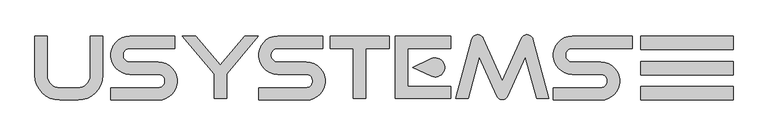
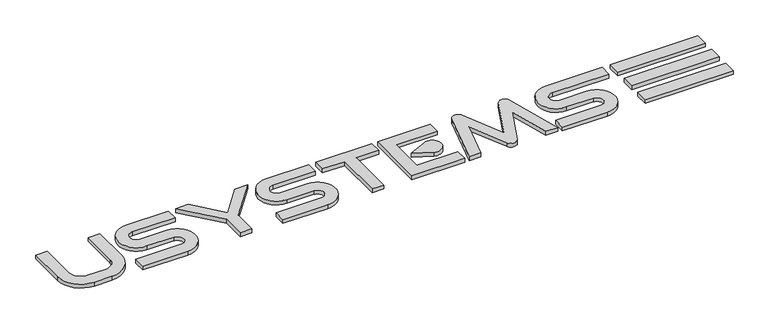
"""IFC4 building model written with IfcOpenShell, lengths in millimetres: proxy geometry."""

from ifc_helpers import new_model, si_unit, point, frame_2d, origin, origin_with_axes, place, context, project, spatial, polyline, circle_curve, trimmed, segment, composite_curve, outline, extrude, source, transform, mapped, element, save


def entourage_7e7048c8(model_context):
    return source(origin(), model_context, "Body", "SweptSolid", [
        extrude(outline(composite_curve([segment(trimmed(circle_curve(frame_2d((5912.1074396, 3911.8298677)), 75.5751224), [point((5880.1680128, 3980.3241896))], [point((5984.1631732, 3934.6239542))], False, "CARTESIAN"), True, "CONTINUOUS"), segment(trimmed(circle_curve(frame_2d((5905.5903143, 3909.7682424)), 82.410561), [point((5984.1631732, 3934.6239542))], [point((5984.1631732, 3884.9125306))], False, "CARTESIAN"), True, "CONTINUOUS"), segment(trimmed(circle_curve(frame_2d((5912.1074396, 3907.7066172)), 75.5751224), [point((5984.1631732, 3884.9125306))], [point((5880.1680128, 3839.2122953))], False, "CARTESIAN"), True, "CONTINUOUS"), segment(polyline([(5880.1680128, 3839.2122953), (5728.8602958, 3909.7682424), (5880.1680128, 3980.3241896)]), True, "CONTINUOUS")], self_intersect=False)), origin_with_axes(), (0.0, 0.0, 1.0), 35.0),
        extrude(outline(polyline([(7578.8602958, 4053.4865287), (7578.8602958, 4163.4865287), (8328.8602958, 4163.4865287), (8328.8602958, 4053.4865287), (7578.8602958, 4053.4865287)])), origin_with_axes(), (0.0, 0.0, 1.0), 35.0),
        extrude(outline(polyline([(7578.8602958, 3643.4865287), (7578.8602958, 3753.4865287), (8328.8602958, 3753.4865287), (8328.8602958, 3643.4865287), (7578.8602958, 3643.4865287)])), origin_with_axes(), (0.0, 0.0, 1.0), 35.0),
        extrude(outline(polyline([(7578.8602958, 3848.4865287), (7578.8602958, 3958.4865287), (8328.8602958, 3958.4865287), (8328.8602958, 3848.4865287), (7578.8602958, 3848.4865287)])), origin_with_axes(), (0.0, 0.0, 1.0), 35.0),
        extrude(outline(composite_curve([segment(polyline([(2763.8602958, 4163.4865287), (2763.8602958, 3843.4865287)]), True, "CONTINUOUS"), segment(trimmed(circle_curve(frame_2d((2863.8602958, 3843.4865287)), 100.0), [point((2763.8602958, 3843.4865287))], [point((2863.8602958, 3743.4865287))], True, "CARTESIAN"), True, "CONTINUOUS"), segment(polyline([(2863.8602958, 3743.4865287), (3013.8602958, 3743.4865287)]), True, "CONTINUOUS"), segment(trimmed(circle_curve(frame_2d((3013.8602958, 3843.4865287)), 100.0), [point((3013.8602958, 3743.4865287))], [point((3113.8602958, 3843.4865287))], True, "CARTESIAN"), True, "CONTINUOUS"), segment(polyline([(3113.8602958, 3843.4865287), (3113.8602958, 4163.4865287), (3213.8602958, 4163.4865287), (3213.8602958, 3843.4865287)]), True, "CONTINUOUS"), segment(trimmed(circle_curve(frame_2d((3013.8602958, 3843.4865287)), 200.0), [point((3213.8602958, 3843.4865287))], [point((3013.8602958, 3643.4865287))], False, "CARTESIAN"), True, "CONTINUOUS"), segment(polyline([(3013.8602958, 3643.4865287), (2863.8602958, 3643.4865287)]), True, "CONTINUOUS"), segment(trimmed(circle_curve(frame_2d((2863.8602958, 3843.4865287)), 200.0), [point((2863.8602958, 3643.4865287))], [point((2663.8602958, 3843.4865287))], False, "CARTESIAN"), True, "CONTINUOUS"), segment(polyline([(2663.8602958, 3843.4865287), (2663.8602958, 4163.4865287), (2763.8602958, 4163.4865287)]), True, "CONTINUOUS")], self_intersect=False)), origin_with_axes(), (0.0, 0.0, 1.0), 35.0),
        extrude(outline(composite_curve([segment(polyline([(3798.8602958, 4063.4865287), (3433.8602958, 4063.4865287)]), True, "CONTINUOUS"), segment(trimmed(circle_curve(frame_2d((3433.8602958, 4008.4865287)), 55.0), [point((3433.8602958, 4063.4865287))], [point((3433.8602958, 3953.4865287))], True, "CARTESIAN"), True, "CONTINUOUS"), segment(polyline([(3433.8602958, 3953.4865287), (3663.8602958, 3953.4865287)]), True, "CONTINUOUS"), segment(trimmed(circle_curve(frame_2d((3663.8602958, 3798.4865287)), 155.0), [point((3663.8602958, 3953.4865287))], [point((3663.8602958, 3643.4865287))], False, "CARTESIAN"), True, "CONTINUOUS"), segment(polyline([(3663.8602958, 3643.4865287), (3278.8602958, 3643.4865287), (3278.8602958, 3743.4865287), (3663.8602958, 3743.4865287)]), True, "CONTINUOUS"), segment(trimmed(circle_curve(frame_2d((3663.8602958, 3798.4865287)), 55.0), [point((3663.8602958, 3743.4865287))], [point((3663.8602958, 3853.4865287))], True, "CARTESIAN"), True, "CONTINUOUS"), segment(polyline([(3663.8602958, 3853.4865287), (3433.8602958, 3853.4865287)]), True, "CONTINUOUS"), segment(trimmed(circle_curve(frame_2d((3433.8602958, 4008.4865287)), 155.0), [point((3433.8602958, 3853.4865287))], [point((3433.8602958, 4163.4865287))], False, "CARTESIAN"), True, "CONTINUOUS"), segment(polyline([(3433.8602958, 4163.4865287), (3798.8602958, 4163.4865287), (3798.8602958, 4063.4865287)]), True, "CONTINUOUS")], self_intersect=False)), origin_with_axes(), (0.0, 0.0, 1.0), 35.0),
        extrude(outline(polyline([(4218.8101042, 3656.0499561), (4118.8101042, 3656.0499561), (4118.8101042, 3856.0499561), (3860.8401895, 4163.4865287), (3970.8401895, 4163.4865287), (4168.8101042, 3927.5551717), (4366.7800189, 4163.4865287), (4476.7800189, 4163.4865287), (4218.8101042, 3856.0499561), (4218.8101042, 3656.0499561)])), origin_with_axes(), (0.0, 0.0, 1.0), 35.0),
        extrude(outline(composite_curve([segment(polyline([(4998.8602958, 4063.4865287), (4633.8602958, 4063.4865287)]), True, "CONTINUOUS"), segment(trimmed(circle_curve(frame_2d((4633.8602958, 4008.4865287)), 55.0), [point((4633.8602958, 4063.4865287))], [point((4633.8602958, 3953.4865287))], True, "CARTESIAN"), True, "CONTINUOUS"), segment(polyline([(4633.8602958, 3953.4865287), (4863.8602958, 3953.4865287)]), True, "CONTINUOUS"), segment(trimmed(circle_curve(frame_2d((4863.8602958, 3798.4865287)), 155.0), [point((4863.8602958, 3953.4865287))], [point((4863.8602958, 3643.4865287))], False, "CARTESIAN"), True, "CONTINUOUS"), segment(polyline([(4863.8602958, 3643.4865287), (4478.8602958, 3643.4865287), (4478.8602958, 3743.4865287), (4863.8602958, 3743.4865287)]), True, "CONTINUOUS"), segment(trimmed(circle_curve(frame_2d((4863.8602958, 3798.4865287)), 55.0), [point((4863.8602958, 3743.4865287))], [point((4863.8602958, 3853.4865287))], True, "CARTESIAN"), True, "CONTINUOUS"), segment(polyline([(4863.8602958, 3853.4865287), (4633.8602958, 3853.4865287)]), True, "CONTINUOUS"), segment(trimmed(circle_curve(frame_2d((4633.8602958, 4008.4865287)), 155.0), [point((4633.8602958, 3853.4865287))], [point((4633.8602958, 4163.4865287))], False, "CARTESIAN"), True, "CONTINUOUS"), segment(polyline([(4633.8602958, 4163.4865287), (4998.8602958, 4163.4865287), (4998.8602958, 4063.4865287)]), True, "CONTINUOUS")], self_intersect=False)), origin_with_axes(), (0.0, 0.0, 1.0), 35.0),
        extrude(outline(polyline([(5348.8101042, 3656.0499561), (5248.8101042, 3656.0499561), (5248.8101042, 4063.4865287), (5058.8602958, 4063.4865287), (5058.8602958, 4163.4865287), (5538.8602958, 4163.4865287), (5538.8602958, 4063.4865287), (5348.8101042, 4063.4865287), (5348.8101042, 3656.0499561)])), origin_with_axes(), (0.0, 0.0, 1.0), 35.0),
        extrude(outline(polyline([(6038.8602958, 4163.4865287), (6038.8602958, 4063.4865287), (5688.8602958, 4063.4865287), (5688.8602958, 3756.0499561), (6038.8602958, 3756.0499561), (6038.8602958, 3656.0499561), (5588.8602958, 3656.0499561), (5588.8602958, 4163.4865287), (6038.8602958, 4163.4865287)])), origin_with_axes(), (0.0, 0.0, 1.0), 35.0),
        extrude(outline(composite_curve([segment(polyline([(6178.8602958, 3656.0499561), (6078.8602958, 3656.0499561), (6208.0451572, 4138.1744225)]), True, "CONTINUOUS"), segment(trimmed(circle_curve(frame_2d((6256.3414485, 4125.2334702)), 50.0), [point((6208.0451572, 4138.1744225))], [point((6302.0187214, 4145.5703024))], False, "CARTESIAN"), True, "CONTINUOUS"), segment(polyline([(6302.0187214, 4145.5703024), (6456.5458174, 3798.4967622), (6611.0729134, 4145.5703024)]), True, "CONTINUOUS"), segment(trimmed(circle_curve(frame_2d((6656.7501863, 4125.2334702)), 50.0), [point((6611.0729134, 4145.5703024))], [point((6705.0464776, 4138.1744225))], False, "CARTESIAN"), True, "CONTINUOUS"), segment(polyline([(6705.0464776, 4138.1744225), (6834.231339, 3656.0499561), (6734.231339, 3656.0499561), (6643.6446732, 3994.1239953), (6502.2230903, 3676.4859194)]), True, "CONTINUOUS"), segment(trimmed(circle_curve(frame_2d((6456.5458174, 3696.8227516)), 50.0), [point((6502.2230903, 3676.4859194))], [point((6410.8685445, 3676.4859194))], False, "CARTESIAN"), True, "CONTINUOUS"), segment(polyline([(6410.8685445, 3676.4859194), (6269.4469616, 3994.1239953), (6178.8602958, 3656.0499561)]), True, "CONTINUOUS")], self_intersect=False)), origin_with_axes(), (0.0, 0.0, 1.0), 35.0),
        extrude(outline(composite_curve([segment(polyline([(7508.8602958, 4063.4865287), (7023.8602958, 4063.4865287)]), True, "CONTINUOUS"), segment(trimmed(circle_curve(frame_2d((7023.8602958, 4008.4865287)), 55.0), [point((7023.8602958, 4063.4865287))], [point((7023.8602958, 3953.4865287))], True, "CARTESIAN"), True, "CONTINUOUS"), segment(polyline([(7023.8602958, 3953.4865287), (7253.8602958, 3953.4865287)]), True, "CONTINUOUS"), segment(trimmed(circle_curve(frame_2d((7253.8602958, 3798.4865287)), 155.0), [point((7253.8602958, 3953.4865287))], [point((7253.8602958, 3643.4865287))], False, "CARTESIAN"), True, "CONTINUOUS"), segment(polyline([(7253.8602958, 3643.4865287), (6868.8602958, 3643.4865287), (6868.8602958, 3743.4865287), (7253.8602958, 3743.4865287)]), True, "CONTINUOUS"), segment(trimmed(circle_curve(frame_2d((7253.8602958, 3798.4865287)), 55.0), [point((7253.8602958, 3743.4865287))], [point((7253.8602958, 3853.4865287))], True, "CARTESIAN"), True, "CONTINUOUS"), segment(polyline([(7253.8602958, 3853.4865287), (7023.8602958, 3853.4865287)]), True, "CONTINUOUS"), segment(trimmed(circle_curve(frame_2d((7023.8602958, 4008.4865287)), 155.0), [point((7023.8602958, 3853.4865287))], [point((7023.8602958, 4163.4865287))], False, "CARTESIAN"), True, "CONTINUOUS"), segment(polyline([(7023.8602958, 4163.4865287), (7508.8602958, 4163.4865287), (7508.8602958, 4063.4865287)]), True, "CONTINUOUS")], self_intersect=False)), origin_with_axes(), (0.0, 0.0, 1.0), 35.0),
    ])


if __name__ == "__main__":
    model = new_model("IFC4")
    model_context = context("Model", 3, world=origin())
    ifc_project = project(units=[si_unit("LENGTHUNIT", "METRE", prefix="MILLI")], contexts=[model_context])
    site = spatial("IfcSite", under=ifc_project)
    building = spatial("IfcBuilding", under=site)
    placement = place(None, origin())
    entourage_shape = entourage_7e7048c8(model_context)
    element("IfcBuildingElementProxy", 1, Name="Entourage", at=placement, inside=building, context=model_context, shape_type="MappedRepresentation", body=[
        mapped(entourage_shape, transform((0.0, 0.0, 0.0), x_axis=(1.0, 0.0, 0.0), y_axis=(0.0, 1.0, 0.0), z_axis=(0.0, 0.0, 1.0))),
    ])
    save(model, "model.ifc")
